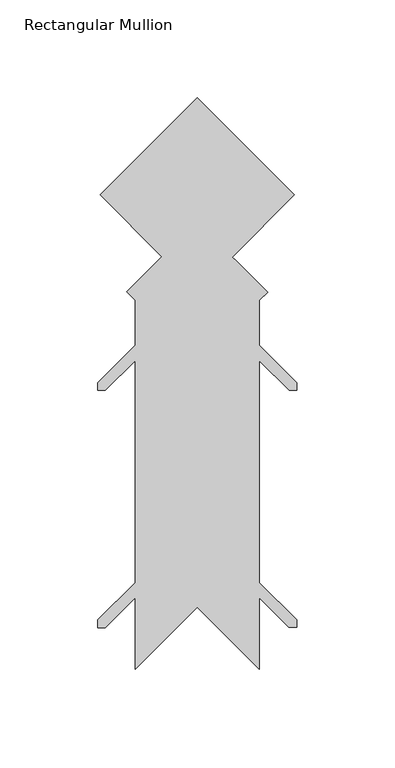
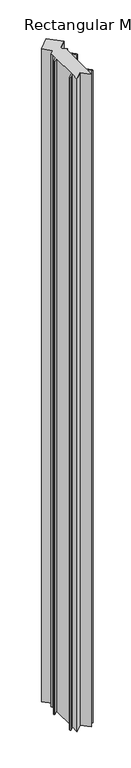
"""IFC4 building model written with IfcOpenShell, lengths in millimetres: member geometry, Rectangular Mullion."""

from ifc_helpers import new_model, si_unit, frame, origin, place, context, project, spatial, polyline, outline, extrude, source, transform, mapped, element, save


def rectangular_mullion_f1955f83(model_context):
    return source(origin(), model_context, "Body", "SweptSolid", [
        extrude(outline(polyline([(-97.8789552, -85.4170665), (-101.7584268, -85.4170665), (-101.7584268, -81.5375779), (-82.6292173, -62.4083844), (-82.6292173, 51.0657438), (-97.878963, 35.8159981), (-101.7584346, 35.8159981), (-101.7584346, 39.6954867), (-82.6292173, 58.8246881), (-82.6292173, 81.885984), (-87.0413027, 86.2980694), (-69.0807947, 104.2585773), (-100.5890571, 135.7668398), (-50.8792173, 185.4766796), (-1.1693775, 135.7668398), (-32.8836834, 104.0525339), (-31.0481689, 102.2170193), (-14.9231755, 86.0920259), (-19.1292173, 81.885984), (-19.1292173, 58.8246881), (0.0, 39.6954867), (0.0, 35.8159981), (-3.8794716, 35.8159981), (-19.1292173, 51.0657438), (-19.1292173, -62.4083844), (-7.9e-06, -81.5375779), (-7.9e-06, -85.2031805), (-4.0933655, -85.2031805), (-19.1292173, -70.1673287), (-19.1292173, -106.6994029), (-50.8792172, -74.949403), (-82.6292173, -106.6994031), (-82.6292173, -70.1673287), (-97.8789552, -85.4170665)])), frame((0.0, 0.0, -3048.0), z_axis=(0.0, 0.0, 1.0), x_axis=(1.0, 0.0, 0.0)), (0.0, 0.0, 1.0), 3048.0),
    ])


if __name__ == "__main__":
    model = new_model("IFC4")
    model_context = context("Model", 3, world=origin())
    ifc_project = project(units=[si_unit("LENGTHUNIT", "METRE", prefix="MILLI")], contexts=[model_context])
    site = spatial("IfcSite", under=ifc_project)
    building = spatial("IfcBuilding", under=site)
    placement = place(None, origin())
    rectangular_mullion_shape = rectangular_mullion_f1955f83(model_context)
    element("IfcMember", 1, ObjectType="Rectangular Mullion", at=placement, inside=building, context=model_context, shape_type="MappedRepresentation", body=[
        mapped(rectangular_mullion_shape, transform((0.0, 0.0, 0.0), x_axis=(1.0, 0.0, 0.0), y_axis=(0.0, 1.0, 0.0), z_axis=(0.0, 0.0, 1.0))),
    ])
    save(model, "model.ifc")
